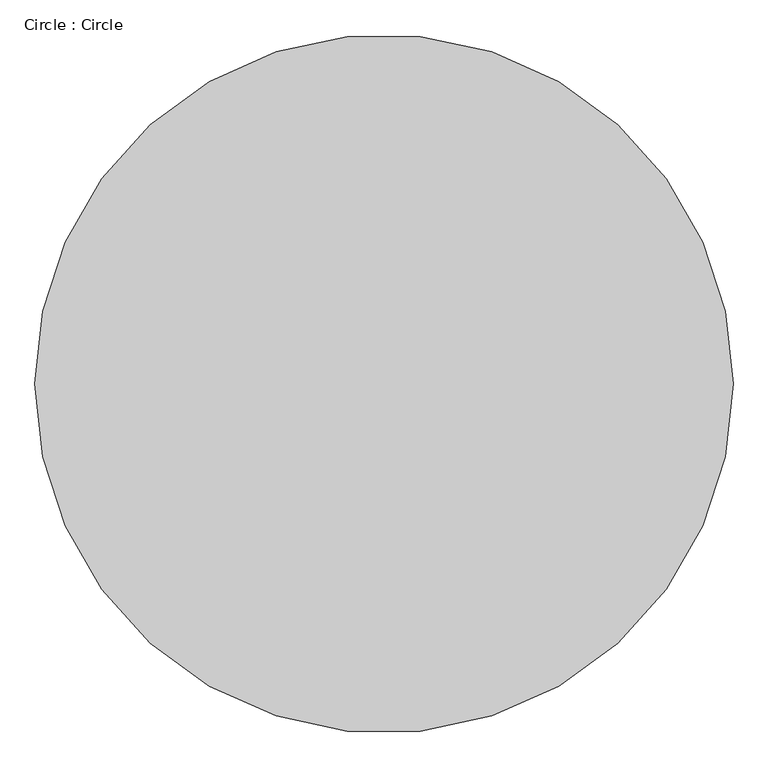
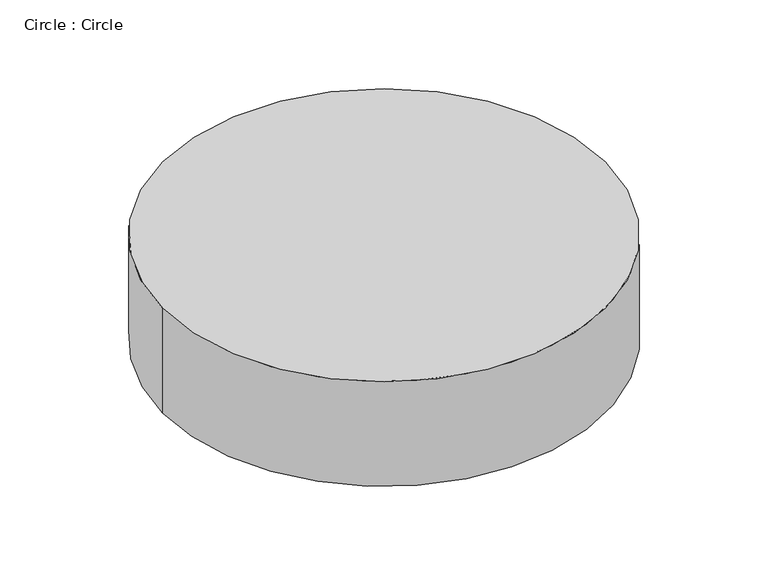
"""IFC4 building model written with IfcOpenShell, lengths in millimetres: proxy geometry, Circle : Circle."""

from ifc_helpers import new_model, si_unit, point, origin, origin_with_axes, origin_2d, place, context, project, spatial, circle_curve, trimmed, segment, composite_curve, outline, extrude, source, transform, mapped, element, save


def circle_circle_ff616822(model_context):
    return source(origin(), model_context, "Body", "SweptSolid", [
        extrude(outline(composite_curve([segment(trimmed(circle_curve(origin_2d(), 500.0), [point((-500.0, 0.0))], [point((500.0, 0.0))], False, "CARTESIAN"), True, "CONTINUOUS"), segment(trimmed(circle_curve(origin_2d(), 500.0), [point((500.0, 0.0))], [point((-500.0, 0.0))], False, "CARTESIAN"), True, "CONTINUOUS")], self_intersect=False)), origin_with_axes(), (0.0, 0.0, 1.0), 250.0),
    ])


if __name__ == "__main__":
    model = new_model("IFC4")
    model_context = context("Model", 3, world=origin())
    ifc_project = project(units=[si_unit("LENGTHUNIT", "METRE", prefix="MILLI")], contexts=[model_context])
    site = spatial("IfcSite", under=ifc_project)
    building = spatial("IfcBuilding", under=site)
    placement = place(None, origin())
    circle_circle_shape = circle_circle_ff616822(model_context)
    element("IfcBuildingElementProxy", 1, Name="Circle : Circle", ObjectType="Circle : Circle", at=placement, inside=building, context=model_context, shape_type="MappedRepresentation", body=[
        mapped(circle_circle_shape, transform((0.0, 0.0, 0.0), x_axis=(1.0, 0.0, 0.0), y_axis=(0.0, 1.0, 0.0), z_axis=(0.0, 0.0, 1.0))),
    ])
    save(model, "model.ifc")
